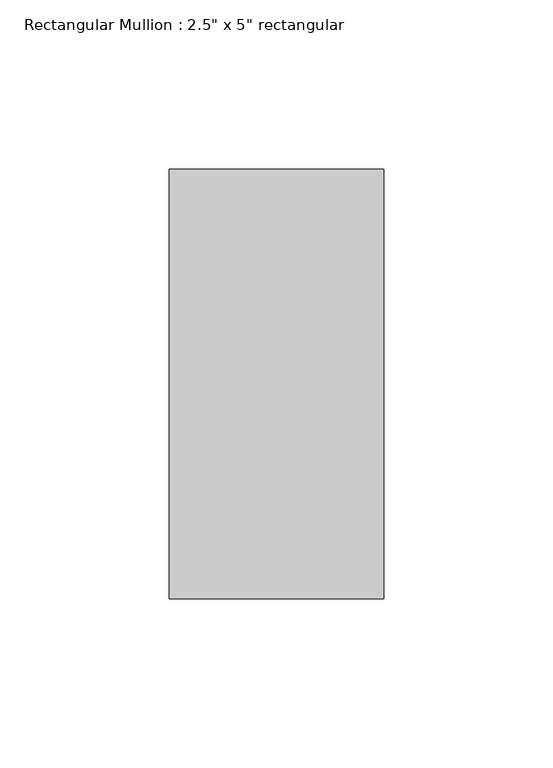
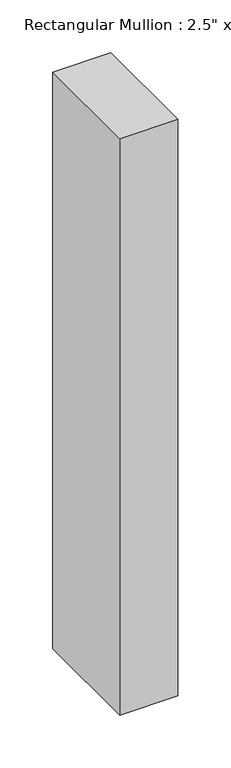
"""IFC4 building model written with IfcOpenShell, lengths in millimetres: member geometry."""

from ifc_helpers import new_model, si_unit, frame, origin, place, context, project, spatial, polyline, outline, extrude, source, transform, mapped, element, save


def member_2ee2964b(model_context):
    return source(origin(), model_context, "Body", "SweptSolid", [
        extrude(outline(polyline([(31.75, 63.5), (31.75, -63.5), (-31.75, -63.5), (-31.75, 63.5), (31.75, 63.5)])), frame((0.0, 0.0, -666.75), z_axis=(0.0, 0.0, 1.0), x_axis=(1.0, 0.0, 0.0)), (0.0, 0.0, 1.0), 666.75),
    ])


if __name__ == "__main__":
    model = new_model("IFC4")
    model_context = context("Model", 3, world=origin())
    ifc_project = project(units=[si_unit("LENGTHUNIT", "METRE", prefix="MILLI")], contexts=[model_context])
    site = spatial("IfcSite", under=ifc_project)
    building = spatial("IfcBuilding", under=site)
    placement = place(None, origin())
    member_shape = member_2ee2964b(model_context)
    element("IfcMember", 1, ObjectType="Rectangular Mullion : 2.5\" x 5\" rectangular", at=placement, inside=building, context=model_context, shape_type="MappedRepresentation", body=[
        mapped(member_shape, transform((0.0, 0.0, 0.0), x_axis=(1.0, 0.0, 0.0), y_axis=(0.0, 1.0, 0.0), z_axis=(0.0, 0.0, 1.0))),
    ])
    save(model, "model.ifc")
